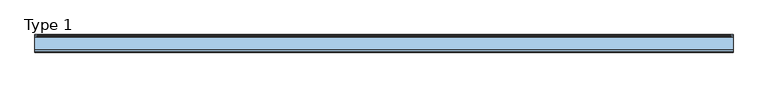
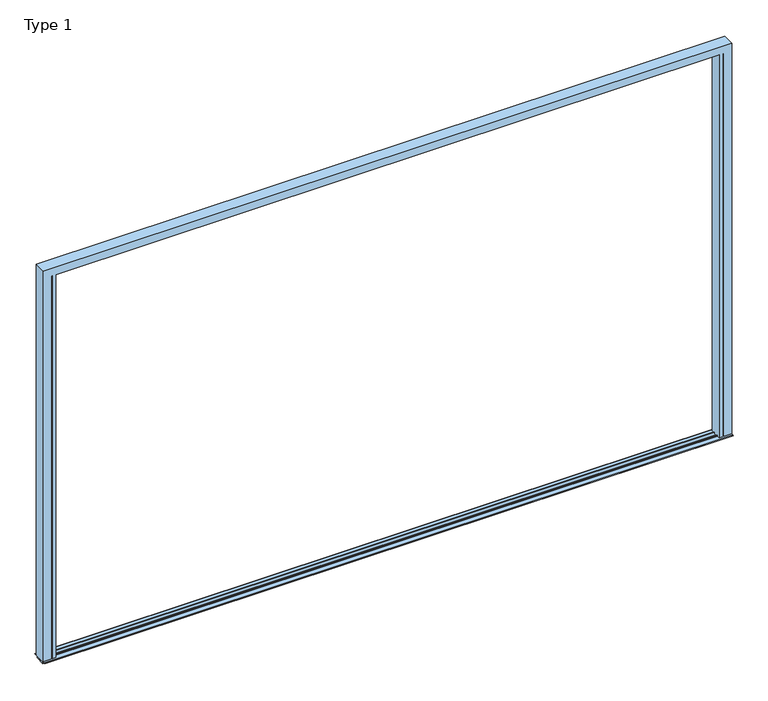
"""IFC4 building model written with IfcOpenShell, lengths in millimetres: window geometry, Type 1."""

from ifc_helpers import new_model, si_unit, frame, origin, place, context, project, spatial, polyline, circle_curve, ellipse_curve, outline, extrude, source, transform, mapped, element, save
from ifc_brep_helpers import plane_surface, cylinder_surface, advanced_brep


def type_1_1b48f8db(model_context):
    return source(origin(), model_context, "Body", "SolidModel", [
        advanced_brep(
        [(1940.0003662, -66.4999084, 0.0), (1940.0003662, -66.4999084, 2345.0), (1940.0003662, -70.0, 2345.0), (1940.0003662, -70.0, 0.0), (1945.0, -66.4999084, 0.0), (1945.0, -66.4999084, 2345.0), (-1940.0003662, -66.4999084, 0.0), (-1940.0003662, -66.4999084, 2345.0), (-1945.0, -66.4999084, 2345.0), (-1945.0, -66.4999084, 0.0), (-1940.0003662, -70.0, 0.0), (-1940.0003662, -70.0, 2345.0), (1918.7961345, -70.0, 0.0), (1918.7961345, -70.0, 2345.0), (1918.7961345, -66.5, 2345.0), (1918.7961345, -66.5, 2365.9997864), (1918.7961345, -55.8499756, 2365.9997864), (1918.7961345, -55.8499756, 2349.000061), (1918.7961345, -46.25, 2349.000061), (1918.7961345, -46.25, 2365.9997864), (1918.7961345, -23.7500839, 2365.9997864), (1918.7961345, -23.7500839, 2349.000061), (1918.7961345, -14.1501312, 2349.000061), (1918.7961345, -14.1501312, 2365.9997864), (1918.7961345, 0.0, 2365.9997864), (1918.7961345, 0.0, 2330.0000916), (1918.7961345, 0.0, 0.0), (-1918.7961345, 0.0, 0.0), (-1918.7961345, 0.0, 2330.0000916), (-1918.7961345, 0.0, 2365.9997864), (-1918.7961345, -14.1501312, 2365.9997864), (-1918.7961345, -14.1501312, 2349.000061), (-1918.7961345, -23.7500839, 2349.000061), (-1918.7961345, -23.7500839, 2365.9997864), (-1918.7961345, -46.25, 2365.9997864), (-1918.7961345, -46.25, 2349.000061), (-1918.7961345, -55.8499756, 2349.000061), (-1918.7961345, -55.8499756, 2365.9997864), (-1918.7961345, -66.5, 2365.9997864), (-1918.7961345, -66.5, 2345.0), (-1918.7961345, -70.0, 2345.0), (-1918.7961345, -70.0, 0.0), (1930.0000916, 0.0, 2330.0000916), (1930.0000916, 0.0, 0.0), (-1930.0000916, 0.0, 0.0), (-1930.0000916, 0.0, 2330.0000916), (-1990.0, 0.0, 0.0), (-1990.0, 0.0, 2390.0), (1990.0, 0.0, 2390.0), (1990.0, 0.0, 0.0), (1977.999939, 0.0, 0.0), (1977.999939, 0.0, 2377.999939), (-1977.999939, 0.0, 2377.999939), (-1977.999939, 0.0, 0.0), (1930.0000916, 7.4999847, 0.0), (1932.5000916, 9.9999847, 0.0), (1973.499939, 9.9999847, 0.0), (1977.999939, 5.4999847, 0.0), (1990.0, -70.0, 0.0), (1945.0, -70.0, 0.0), (-1945.0, -70.0, 0.0), (-1945.0, -70.0, 2345.0), (1945.0, -70.0, 2345.0), (1990.0, -70.0, 2390.0), (-1990.0, -70.0, 2390.0), (-1990.0, -70.0, 0.0), (-1977.999939, 5.4999847, 0.0), (-1973.499939, 9.9999847, 0.0), (-1932.5000916, 9.9999847, 0.0), (-1930.0000916, 7.4999847, 0.0), (-1930.0000916, 7.4999847, 2330.0000916), (-1932.5000916, 9.9999847, 2332.5000916), (-1973.499939, 9.9999847, 2373.499939), (1973.499939, 9.9999847, 2373.499939), (1932.5000916, 9.9999847, 2332.5000916), (-1977.999939, 5.4999847, 2377.999939), (1977.999939, 5.4999847, 2377.999939), (1930.0000916, 7.4999847, 2330.0000916)],
        [
            (0, 1),
            (1, 2),
            (2, 3),
            (3, 0),
            (4, 5),
            (5, 1),
            (0, 4),
            (6, 7),
            (7, 8),
            (8, 9),
            (9, 6),
            (10, 11),
            (11, 7),
            (6, 10),
            (12, 13),
            (13, 14),
            (14, 15),
            (15, 16),
            (16, 17),
            (17, 18),
            (18, 19),
            (19, 20),
            (20, 21),
            (21, 22),
            (22, 23),
            (23, 24),
            (24, 25),
            (25, 26),
            (26, 12),
            (27, 28),
            (28, 29),
            (29, 30),
            (30, 31),
            (31, 32),
            (32, 33),
            (33, 34),
            (34, 35),
            (35, 36),
            (36, 37),
            (37, 38),
            (38, 39),
            (39, 40),
            (40, 41),
            (41, 27),
            (25, 42),
            (42, 43),
            (43, 26),
            (44, 45),
            (45, 28),
            (27, 44),
            (46, 47),
            (47, 48),
            (48, 49),
            (49, 50),
            (50, 51),
            (51, 52),
            (52, 53),
            (53, 46),
            (3, 12),
            (43, 54),
            (54, 55, circle_curve(frame((1932.5000916, 7.4999847, 0.0), z_axis=(0.0, 0.0, -1.0), x_axis=(-1.0, 0.0, 0.0)), 2.5)),
            (55, 56),
            (56, 57, circle_curve(frame((1973.499939, 5.4999847, 0.0), z_axis=(0.0, 0.0, -1.0), x_axis=(-1.0, 0.0, 0.0)), 4.5)),
            (57, 50),
            (49, 58),
            (58, 59),
            (59, 4),
            (60, 61),
            (61, 11),
            (10, 41),
            (40, 13),
            (2, 62),
            (62, 59),
            (58, 63),
            (63, 64),
            (64, 65),
            (65, 60),
            (9, 60),
            (65, 46),
            (53, 66),
            (66, 67, circle_curve(frame((-1973.499939, 5.4999847, 0.0), z_axis=(0.0, 0.0, -1.0), x_axis=(1.0, 0.0, 0.0)), 4.5)),
            (67, 68),
            (68, 69, circle_curve(frame((-1932.5000916, 7.4999847, 0.0), z_axis=(0.0, 0.0, -1.0), x_axis=(1.0, 0.0, 0.0)), 2.5)),
            (69, 44),
            (63, 48),
            (47, 64),
            (8, 61),
            (38, 15),
            (14, 39),
            (36, 17),
            (16, 37),
            (34, 19),
            (18, 35),
            (32, 21),
            (20, 33),
            (30, 23),
            (22, 31),
            (28, 25),
            (24, 29),
            (69, 70),
            (70, 45),
            (68, 71),
            (71, 70, ellipse_curve(frame((-1932.5000916, 7.4999847, 2332.5000916), z_axis=(-0.7071067811865475, 0.0, -0.7071067811865475), x_axis=(0.7071067811865474, 0.0, -0.7071067811865476)), 3.5355339, 2.5)),
            (67, 72),
            (72, 73),
            (73, 56),
            (55, 74),
            (74, 71),
            (66, 75),
            (75, 72, ellipse_curve(frame((-1973.499939, 5.4999847, 2373.499939), z_axis=(-0.7071067811865475, 0.0, -0.7071067811865475), x_axis=(0.7071067811865474, 0.0, -0.7071067811865476)), 6.363961, 4.5)),
            (52, 75),
            (57, 76),
            (76, 51),
            (62, 5),
            (77, 54),
            (42, 77),
            (77, 74, ellipse_curve(frame((1932.5000916, 7.4999847, 2332.5000916), z_axis=(0.7071067811865475, 0.0, -0.7071067811865475), x_axis=(0.7071067811865474, 0.0, 0.7071067811865476)), 3.5355339, 2.5)),
            (73, 76, ellipse_curve(frame((1973.499939, 5.4999847, 2373.499939), z_axis=(0.7071067811865475, 0.0, -0.7071067811865475), x_axis=(0.7071067811865474, 0.0, 0.7071067811865476)), 6.363961, 4.5)),
            (76, 75),
            (70, 77),
        ],
        [
            plane_surface(frame((1940.0003662, -66.4999084, 2390.0), z_axis=(1.0, 0.0, 0.0), x_axis=(0.0, 0.0, -1.0))),
            plane_surface(frame((1965.9997864, -66.4999084, 2390.0), z_axis=(0.0, -1.0, 0.0), x_axis=(0.0, 0.0, -1.0))),
            plane_surface(frame((-1940.0003662, -66.4999084, 2390.0), z_axis=(0.0, -1.0, 0.0), x_axis=(0.0, 0.0, -1.0))),
            plane_surface(frame((-1940.0003662, -70.0, 2390.0), z_axis=(-1.0, 0.0, 0.0), x_axis=(0.0, 0.0, -1.0))),
            plane_surface(frame((1918.7961345, -70.0, 2390.0), z_axis=(-1.0, 0.0, 0.0), x_axis=(0.0, 0.0, -1.0))),
            plane_surface(frame((-1918.7961345, 0.0, 2390.0), z_axis=(1.0, 0.0, 0.0), x_axis=(0.0, 0.0, -1.0))),
            plane_surface(frame((1918.7961345, 0.0, 2390.0), z_axis=(0.0, 1.0, 0.0), x_axis=(0.0, 0.0, -1.0))),
            plane_surface(frame((1990.0, -70.0, 0.0), z_axis=(0.0, 0.0, -1.0), x_axis=(0.0, -1.0, 0.0))),
            plane_surface(frame((1940.0003662, -70.0, 2390.0), z_axis=(0.0, -1.0, 0.0), x_axis=(0.0, 0.0, -1.0))),
            plane_surface(frame((-1990.0, -70.0, 0.0), z_axis=(0.0, 0.0, -1.0), x_axis=(0.0, -1.0, 0.0))),
            plane_surface(frame((1990.0, -70.0, 2390.0), z_axis=(0.0, 0.0, 1.0), x_axis=(0.0, -1.0, 0.0))),
            plane_surface(frame((-1990.0, 0.0, 0.0), z_axis=(-1.0, 0.0, 0.0), x_axis=(0.0, 0.0, 1.0))),
            plane_surface(frame((-1945.0, -70.0, 0.0), z_axis=(1.0, 0.0, 0.0), x_axis=(0.0, 0.0, 1.0))),
            plane_surface(frame((-1945.0, -66.5, 0.0), z_axis=(0.0, 1.0, 0.0), x_axis=(0.0, 0.0, 1.0))),
            plane_surface(frame((-1965.9997864, -55.8499756, 0.0), z_axis=(0.0, -1.0, 0.0), x_axis=(0.0, 0.0, 1.0))),
            plane_surface(frame((-1949.000061, -46.25, 0.0), z_axis=(0.0, 1.0, 0.0), x_axis=(0.0, 0.0, 1.0))),
            plane_surface(frame((-1965.9997864, -23.7500839, 0.0), z_axis=(0.0, -1.0, 0.0), x_axis=(0.0, 0.0, 1.0))),
            plane_surface(frame((-1949.000061, -14.1501312, 0.0), z_axis=(0.0, 1.0, 0.0), x_axis=(0.0, 0.0, 1.0))),
            plane_surface(frame((-1965.9997864, 0.0, 0.0), z_axis=(0.0, -1.0, 0.0), x_axis=(0.0, 0.0, 1.0))),
            plane_surface(frame((-1930.0000916, 0.0, 0.0), z_axis=(1.0, 0.0, 0.0), x_axis=(0.0, 0.0, 1.0))),
            cylinder_surface(frame((-1932.5000916, 7.4999847, 0.0), z_axis=(0.0, 0.0, -1.0), x_axis=(1.0, 0.0, 0.0)), 2.5),
            plane_surface(frame((-1932.5000916, 9.9999847, 0.0), z_axis=(0.0, 1.0, 0.0), x_axis=(0.0, 0.0, 1.0))),
            cylinder_surface(frame((-1973.499939, 5.4999847, 0.0), z_axis=(0.0, 0.0, -1.0), x_axis=(1.0, 0.0, 0.0)), 4.5),
            plane_surface(frame((-1977.999939, 5.4999847, 0.0), z_axis=(-1.0, 0.0, 0.0), x_axis=(0.0, 0.0, 1.0))),
            plane_surface(frame((1977.999939, 5.4999847, 2377.999939), z_axis=(1.0, 0.0, 0.0), x_axis=(0.0, 0.0, -1.0))),
            plane_surface(frame((1990.0, 0.0, 2390.0), z_axis=(1.0, 0.0, 0.0), x_axis=(0.0, 0.0, -1.0))),
            plane_surface(frame((1945.0, -70.0, 2345.0), z_axis=(-1.0, 0.0, 0.0), x_axis=(0.0, 0.0, -1.0))),
            plane_surface(frame((1930.0000916, 0.0, 2330.0000916), z_axis=(-1.0, 0.0, 0.0), x_axis=(0.0, 0.0, -1.0))),
            cylinder_surface(frame((1932.5000916, 7.4999847, 2390.0), z_axis=(0.0, 0.0, 1.0), x_axis=(-1.0, 0.0, 0.0)), 2.5),
            cylinder_surface(frame((1973.499939, 5.4999847, 2390.0), z_axis=(0.0, 0.0, 1.0), x_axis=(-1.0, 0.0, 0.0)), 4.5),
            plane_surface(frame((-1977.999939, 5.4999847, 2377.999939), z_axis=(0.0, 0.0, 1.0), x_axis=(1.0, 0.0, 0.0))),
            plane_surface(frame((-1945.0, -70.0, 2345.0), z_axis=(0.0, 0.0, -1.0), x_axis=(1.0, 0.0, 0.0))),
            plane_surface(frame((-1965.9997864, -66.5, 2365.9997864), z_axis=(0.0, 0.0, -1.0), x_axis=(1.0, 0.0, 0.0))),
            plane_surface(frame((-1949.000061, -55.8499756, 2349.000061), z_axis=(0.0, 0.0, -1.0), x_axis=(1.0, 0.0, 0.0))),
            plane_surface(frame((-1965.9997864, -46.25, 2365.9997864), z_axis=(0.0, 0.0, -1.0), x_axis=(1.0, 0.0, 0.0))),
            plane_surface(frame((-1949.000061, -23.7500839, 2349.000061), z_axis=(0.0, 0.0, -1.0), x_axis=(1.0, 0.0, 0.0))),
            plane_surface(frame((-1965.9997864, -14.1501312, 2365.9997864), z_axis=(0.0, 0.0, -1.0), x_axis=(1.0, 0.0, 0.0))),
            plane_surface(frame((-1930.0000916, 0.0, 2330.0000916), z_axis=(0.0, 0.0, -1.0), x_axis=(1.0, 0.0, 0.0))),
            cylinder_surface(frame((-1990.0, 7.4999847, 2332.5000916), z_axis=(-1.0, 0.0, 0.0), x_axis=(0.0, 0.0, -1.0)), 2.5),
            cylinder_surface(frame((-1990.0, 5.4999847, 2373.499939), z_axis=(-1.0, 0.0, 0.0), x_axis=(0.0, 0.0, -1.0)), 4.5),
        ],
        [
            (0, [[1, 2, 3, 4]]),
            (1, [[5, 6, -1, 7]]),
            (2, [[8, 9, 10, 11]]),
            (3, [[12, 13, -8, 14]]),
            (4, [[15, 16, 17, 18, 19, 20, 21, 22, 23, 24, 25, 26, 27, 28, 29]]),
            (5, [[30, 31, 32, 33, 34, 35, 36, 37, 38, 39, 40, 41, 42, 43, 44]]),
            (6, [[-28, 45, 46, 47]]),
            (6, [[48, 49, -30, 50]]),
            (6, [[51, 52, 53, 54, 55, 56, 57, 58]]),
            (7, [[59, -29, -47, 60, 61, 62, 63, 64, -54, 65, 66, 67, -7, -4]]),
            (8, [[68, 69, -12, 70, -43, 71, -15, -59, -3, 72, 73, -66, 74, 75, 76, 77]]),
            (9, [[-14, -11, 78, -77, 79, -58, 80, 81, 82, 83, 84, -50, -44, -70]]),
            (10, [[-75, 85, -52, 86]]),
            (11, [[-76, -86, -51, -79]]),
            (12, [[-10, 87, -68, -78]]),
            (13, [[-41, 88, -17, 89]]),
            (14, [[-39, 90, -19, 91]]),
            (15, [[-37, 92, -21, 93]]),
            (16, [[-35, 94, -23, 95]]),
            (17, [[-33, 96, -25, 97]]),
            (18, [[-31, 98, -27, 99]]),
            (19, [[100, 101, -48, -84]]),
            (20, [[102, 103, -100, -83]]),
            (21, [[104, 105, 106, -62, 107, 108, -102, -82]]),
            (22, [[109, 110, -104, -81]]),
            (23, [[-57, 111, -109, -80]]),
            (24, [[-64, 112, 113, -55]]),
            (25, [[-85, -74, -65, -53]]),
            (26, [[114, -5, -67, -73]]),
            (27, [[115, -60, -46, 116]]),
            (28, [[-61, -115, 117, -107]]),
            (29, [[118, -112, -63, -106]]),
            (30, [[-113, 119, -111, -56]]),
            (31, [[-9, -13, -69, -87]]),
            (31, [[-42, -89, -16, -71]]),
            (31, [[-72, -2, -6, -114]]),
            (32, [[-18, -88, -40, -91]]),
            (33, [[-20, -90, -38, -93]]),
            (34, [[-22, -92, -36, -95]]),
            (35, [[-24, -94, -34, -97]]),
            (36, [[-26, -96, -32, -99]]),
            (37, [[120, -116, -45, -98, -49, -101]]),
            (38, [[-108, -117, -120, -103]]),
            (39, [[-110, -119, -118, -105]]),
        ],
    ),
        extrude(outline(polyline([(15.0, 1.0391775), (15.0, 0.0), (-6.000061, 0.0), (-6.000061, -12.4999924), (-64.000061, -12.4999924), (-64.000061, 0.0), (-85.0000807, 0.0), (-85.0000807, 1.0392014), (-80.7379205, 3.4999924), (-53.5502106, 3.4999924), (-53.5502106, 7.1000061), (-46.250061, 7.1000061), (-46.250061, -8.6999969), (-23.750061, -8.6999969), (-23.750061, 7.1000061), (-16.4499115, 7.1000061), (-16.4499115, 3.5000076), (10.737772, 3.5000076), (15.0, 1.0391775)])), frame((-1990.0, 0.0, 0.0), z_axis=(1.0, 0.0, 0.0), x_axis=(0.0, 1.0, 0.0)), (0.0, 0.0, 1.0), 3980.0),
    ])


if __name__ == "__main__":
    model = new_model("IFC4")
    model_context = context("Model", 3, world=origin())
    ifc_project = project(units=[si_unit("LENGTHUNIT", "METRE", prefix="MILLI")], contexts=[model_context])
    site = spatial("IfcSite", under=ifc_project)
    building = spatial("IfcBuilding", under=site)
    placement = place(None, origin())
    type_1_shape = type_1_1b48f8db(model_context)
    element("IfcWindow", 1, ObjectType="Type 1", at=placement, inside=building, context=model_context, shape_type="MappedRepresentation", body=[
        mapped(type_1_shape, transform((0.0, 0.0, 0.0), x_axis=(1.0, 0.0, 0.0), y_axis=(0.0, 1.0, 0.0), z_axis=(0.0, 0.0, 1.0))),
    ])
    save(model, "model.ifc")
